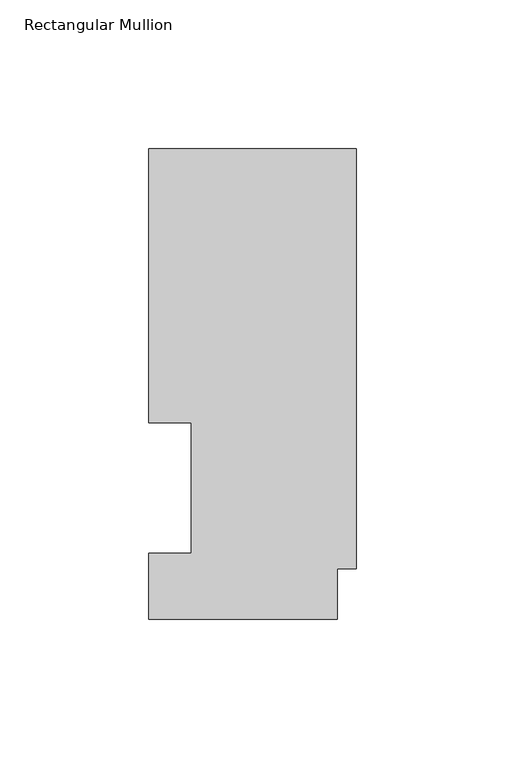
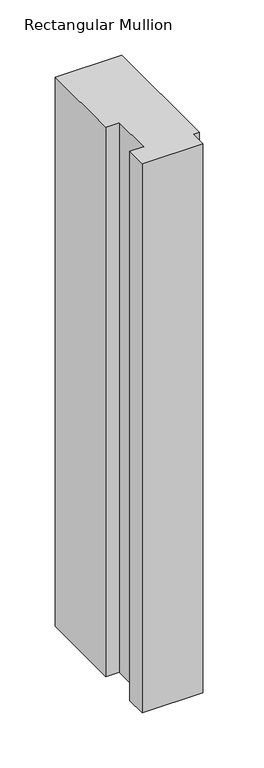
"""IFC4 building model written with IfcOpenShell, lengths in millimetres: member geometry, Rectangular Mullion."""

from ifc_helpers import new_model, si_unit, frame, origin, place, context, project, spatial, polyline, outline, extrude, source, transform, mapped, element, save


def rectangular_mullion_818f10f6(model_context):
    return source(origin(), model_context, "Body", "SweptSolid", [
        extrude(outline(polyline([(0.0, 158.2308875), (0.0, 16.9306875), (-6.35, 16.9306875), (-6.35, -0.0080424), (-69.85, -0.0080424), (-69.85, 22.1122875), (-55.5625, 22.1122875), (-55.5625, 66.0796875), (-69.85, 66.0796875), (-69.85, 158.2308875), (0.0, 158.2308875)])), frame((0.0, 0.0, -609.5976187), z_axis=(0.0, 0.0, 1.0), x_axis=(1.0, 0.0, 0.0)), (0.0, 0.0, 1.0), 609.5976187),
    ])


if __name__ == "__main__":
    model = new_model("IFC4")
    model_context = context("Model", 3, world=origin())
    ifc_project = project(units=[si_unit("LENGTHUNIT", "METRE", prefix="MILLI")], contexts=[model_context])
    site = spatial("IfcSite", under=ifc_project)
    building = spatial("IfcBuilding", under=site)
    placement = place(None, origin())
    rectangular_mullion_shape = rectangular_mullion_818f10f6(model_context)
    element("IfcMember", 1, ObjectType="Rectangular Mullion", at=placement, inside=building, context=model_context, shape_type="MappedRepresentation", body=[
        mapped(rectangular_mullion_shape, transform((0.0, 0.0, 0.0), x_axis=(1.0, 0.0, 0.0), y_axis=(0.0, 1.0, 0.0), z_axis=(0.0, 0.0, 1.0))),
    ])
    save(model, "model.ifc")
